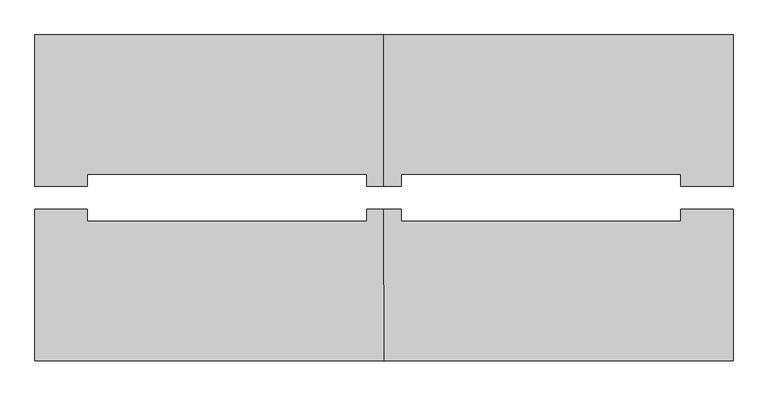
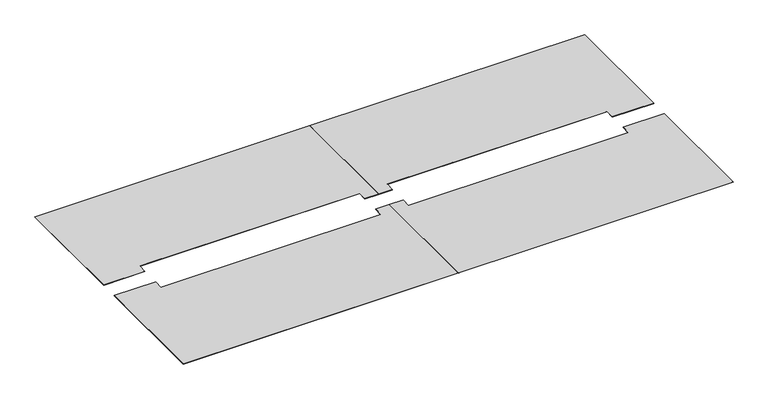
"""IFC4 building model written with IfcOpenShell, lengths in millimetres: furniture geometry."""

from ifc_helpers import new_model, si_unit, frame, origin, place, context, project, spatial, polyline, outline, extrude, source, transform, mapped, element, save


def furniture_459882fa(model_context):
    return source(origin(), model_context, "Body", "SweptSolid", [
        extrude(outline(polyline([(12898.602247, 14455.2740629), (11374.602247, 14455.2740629), (11374.602247, 15115.6740629), (11450.802247, 15115.6740629), (11450.802247, 15063.6960683), (12670.002247, 15063.6960683), (12670.002247, 15115.6740629), (12898.602247, 15115.6740629), (12898.602247, 14455.2740629)])), frame((0.0, 0.0, 736.6), z_axis=(0.0, 0.0, 1.0), x_axis=(1.0, 0.0, 0.0)), (0.0, 0.0, 1.0), 1.462791),
        extrude(outline(polyline([(9850.602247, 14455.2740629), (9850.602247, 15115.6740629), (10079.202247, 15115.6740629), (10079.202247, 15063.6960683), (11298.402247, 15063.6960683), (11298.402247, 15115.6740629), (11374.602247, 15115.6740629), (11374.602247, 14455.2740629), (9850.602247, 14455.2740629)])), frame((0.0, 0.0, 736.6), z_axis=(0.0, 0.0, 1.0), x_axis=(1.0, 0.0, 0.0)), (0.0, 0.0, 1.0), 1.462791),
        extrude(outline(polyline([(12898.602247, 15877.6740629), (12898.602247, 15217.2740629), (12670.002247, 15217.2740629), (12670.002247, 15269.2520575), (11450.802247, 15269.2520575), (11450.802247, 15217.2740629), (11374.602247, 15217.2740629), (11374.602247, 15877.6740629), (12898.602247, 15877.6740629)])), frame((0.0, 0.0, 736.6), z_axis=(0.0, 0.0, 1.0), x_axis=(1.0, 0.0, 0.0)), (0.0, 0.0, 1.0), 1.462791),
        extrude(outline(polyline([(9850.602247, 15877.6740629), (11374.602247, 15877.6740629), (11374.602247, 15217.2740629), (11298.402247, 15217.2740629), (11298.402247, 15269.2520575), (10079.202247, 15269.2520575), (10079.202247, 15217.2740629), (9850.602247, 15217.2740629), (9850.602247, 15877.6740629)])), frame((0.0, 0.0, 736.6), z_axis=(0.0, 0.0, 1.0), x_axis=(1.0, 0.0, 0.0)), (0.0, 0.0, 1.0), 1.462791),
    ])


if __name__ == "__main__":
    model = new_model("IFC4")
    model_context = context("Model", 3, world=origin())
    ifc_project = project(units=[si_unit("LENGTHUNIT", "METRE", prefix="MILLI")], contexts=[model_context])
    site = spatial("IfcSite", under=ifc_project)
    building = spatial("IfcBuilding", under=site)
    placement = place(None, origin())
    furniture_shape = furniture_459882fa(model_context)
    element("IfcFurniture", 1, at=placement, inside=building, context=model_context, shape_type="MappedRepresentation", body=[
        mapped(furniture_shape, transform((0.0, 0.0, 0.0), x_axis=(1.0, 0.0, 0.0), y_axis=(0.0, 1.0, 0.0), z_axis=(0.0, 0.0, 1.0))),
    ])
    save(model, "model.ifc")
